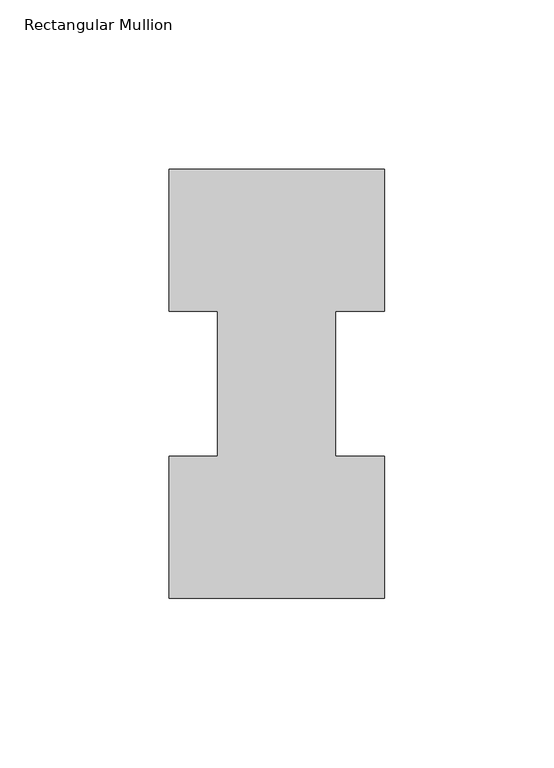
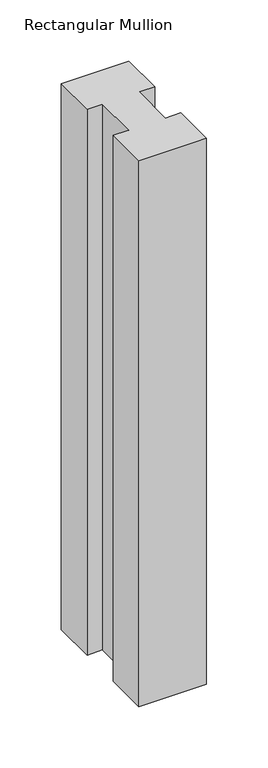
"""IFC4 building model written with IfcOpenShell, lengths in millimetres: member geometry, Rectangular Mullion."""

from ifc_helpers import new_model, si_unit, frame, origin, place, context, project, spatial, polyline, outline, extrude, source, transform, mapped, element, save


def rectangular_mullion_8ac16d69(model_context):
    return source(origin(), model_context, "Body", "SweptSolid", [
        extrude(outline(polyline([(-63.5, -0.0373062), (-63.5, 41.7837937), (-49.2125, 41.7837937), (-49.2125, 84.6335938), (-63.5, 84.6335938), (-63.5, 126.4546937), (0.0, 126.4546938), (0.0, 84.6335938), (-14.4999808, 84.6335938), (-14.4999808, 41.7837937), (0.0, 41.7837937), (0.0, -0.0373062), (-63.5, -0.0373062)])), frame((0.0, 0.0, -542.925), z_axis=(0.0, 0.0, 1.0), x_axis=(1.0, 0.0, 0.0)), (0.0, 0.0, 1.0), 542.925),
    ])


if __name__ == "__main__":
    model = new_model("IFC4")
    model_context = context("Model", 3, world=origin())
    ifc_project = project(units=[si_unit("LENGTHUNIT", "METRE", prefix="MILLI")], contexts=[model_context])
    site = spatial("IfcSite", under=ifc_project)
    building = spatial("IfcBuilding", under=site)
    placement = place(None, origin())
    rectangular_mullion_shape = rectangular_mullion_8ac16d69(model_context)
    element("IfcMember", 1, ObjectType="Rectangular Mullion", at=placement, inside=building, context=model_context, shape_type="MappedRepresentation", body=[
        mapped(rectangular_mullion_shape, transform((0.0, 0.0, 0.0), x_axis=(1.0, 0.0, 0.0), y_axis=(0.0, 1.0, 0.0), z_axis=(0.0, 0.0, 1.0))),
    ])
    save(model, "model.ifc")
